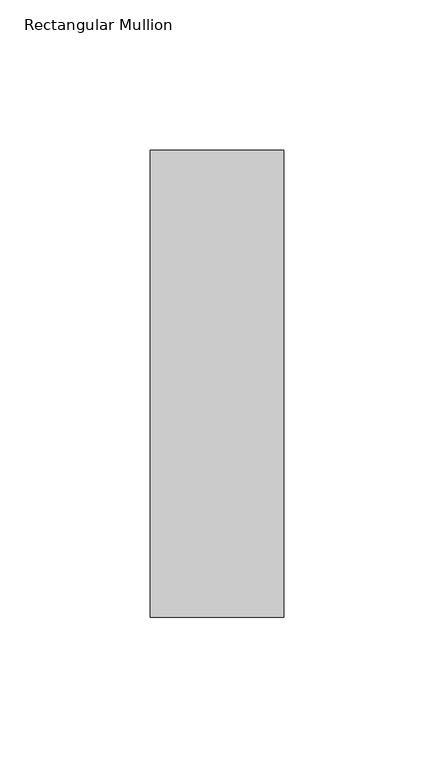
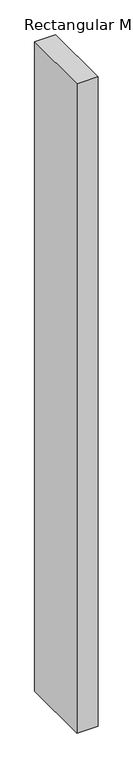
"""IFC4 building model written with IfcOpenShell, lengths in millimetres: member geometry, Rectangular Mullion."""

from ifc_helpers import new_model, si_unit, frame, origin, place, context, project, spatial, polyline, outline, extrude, source, transform, mapped, element, save


def rectangular_mullion_c490e5f3(model_context):
    return source(origin(), model_context, "Body", "SweptSolid", [
        extrude(outline(polyline([(-44.45, 76.1906616), (0.0, 76.1906616), (0.0, -79.3656616), (-44.45, -79.3656616), (-44.45, 76.1906616)])), frame((0.0, 0.0, -1457.325), z_axis=(0.0, 0.0, 1.0), x_axis=(1.0, 0.0, 0.0)), (0.0, 0.0, 1.0), 1457.325),
    ])


if __name__ == "__main__":
    model = new_model("IFC4")
    model_context = context("Model", 3, world=origin())
    ifc_project = project(units=[si_unit("LENGTHUNIT", "METRE", prefix="MILLI")], contexts=[model_context])
    site = spatial("IfcSite", under=ifc_project)
    building = spatial("IfcBuilding", under=site)
    placement = place(None, origin())
    rectangular_mullion_shape = rectangular_mullion_c490e5f3(model_context)
    element("IfcMember", 1, ObjectType="Rectangular Mullion", at=placement, inside=building, context=model_context, shape_type="MappedRepresentation", body=[
        mapped(rectangular_mullion_shape, transform((0.0, 0.0, 0.0), x_axis=(1.0, 0.0, 0.0), y_axis=(0.0, 1.0, 0.0), z_axis=(0.0, 0.0, 1.0))),
    ])
    save(model, "model.ifc")
